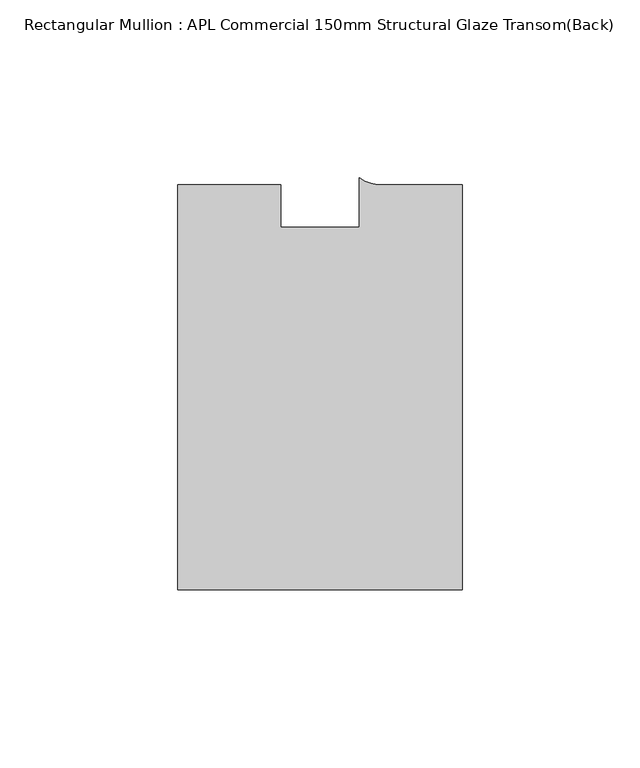
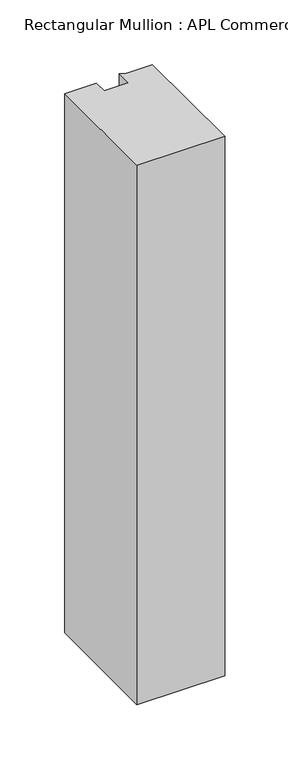
"""IFC4 building model written with IfcOpenShell, lengths in millimetres: member geometry, Rectangular Mullion : APL Commercial 150mm Structural Glaze Transom(Back)."""

import ifcopenshell
import ifcopenshell.guid

model = None  # the IFC model being written
_history = None  # IfcOwnerHistory: only IFC2X3 demands one
_inside = {}  # id of a spatial element -> (the spatial element, [elements in it])
_under = {}  # id of a project, library or spatial element -> (it, [spatial elements below it])
_declared = {}  # id of a project -> (the project, [libraries it declares])
_typed = {}  # id of a type object -> (the type object, [elements of that type])
_made_of = {}  # id of a material, layer set ... -> (it, [elements and type objects made of it])


def new_model(schema):
    """Start an empty IFC model of exactly this schema.

    Asked for "IFC4X3", IfcOpenShell would pick the latest addendum, in which some entities
    have other attributes; the version numbers below select the first issue.
    IFC2X3 requires an IfcOwnerHistory on every rooted entity: one is made here for all.
    """
    global model, _history
    if schema == "IFC4X3":
        model = ifcopenshell.file(schema_version=(4, 3, 0, 0))
    else:
        model = ifcopenshell.file(schema=schema)
    _inside.clear()
    _under.clear()
    _declared.clear()
    _typed.clear()
    _made_of.clear()
    _history = None
    if model.schema == "IFC2X3":
        org = make("IfcOrganization", Name="unknown")
        user = make(
            "IfcPersonAndOrganization",
            ThePerson=make("IfcPerson", FamilyName="unknown"),
            TheOrganization=org,
        )
        app = make(
            "IfcApplication",
            ApplicationDeveloper=org,
            Version="unknown",
            ApplicationFullName="unknown",
            ApplicationIdentifier="unknown",
        )
        _history = make(
            "IfcOwnerHistory",
            OwningUser=user,
            OwningApplication=app,
            ChangeAction="ADDED",
            CreationDate=0,
        )
    return model


def make(cls, **values):
    """One entity of the class cls with the attributes given. An attribute that is None is left unset."""
    return model.create_entity(
        cls, **{name: value for name, value in values.items() if value is not None}
    )


def rooted(cls, **values):
    """An entity with a GlobalId (a new one), such as an element, a storey or a relation."""
    return make(cls, GlobalId=ifcopenshell.guid.new(), OwnerHistory=_history, **values)


def si_unit(unit_type, name, prefix=None):
    """IfcSIUnit, for example si_unit("LENGTHUNIT", "METRE", prefix="MILLI")."""
    return make("IfcSIUnit", UnitType=unit_type, Prefix=prefix, Name=name)


def assignment(units):
    """IfcUnitAssignment: the units of a project."""
    return None if units is None else make("IfcUnitAssignment", Units=units)


def point(xyz):
    """IfcCartesianPoint."""
    return None if xyz is None else make("IfcCartesianPoint", Coordinates=xyz)


def direction(xyz):
    """IfcDirection."""
    return None if xyz is None else make("IfcDirection", DirectionRatios=xyz)


def frame(location, z_axis=None, x_axis=None):
    """IfcAxis2Placement3D, a coordinate frame: its origin and axes. An axis left out is left unset."""
    return make(
        "IfcAxis2Placement3D",
        Location=point(location),
        Axis=direction(z_axis),
        RefDirection=direction(x_axis),
    )


def frame_2d(location, x_axis=None):
    """IfcAxis2Placement2D, a coordinate frame in the plane: its origin and x axis."""
    return make(
        "IfcAxis2Placement2D", Location=point(location), RefDirection=direction(x_axis)
    )


def origin():
    """The frame at (0, 0, 0) with its axes left unset."""
    return frame((0.0, 0.0, 0.0))


def place(relative_to, where):
    """IfcLocalPlacement: puts the frame where relative to a parent placement (None: the world)."""
    return make(
        "IfcLocalPlacement", PlacementRelTo=relative_to, RelativePlacement=where
    )


def context(
    kind, dimensions, precision=None, world=None, true_north=None, identifier=None
):
    """IfcGeometricRepresentationContext, for example the 3D "Model" context."""
    return make(
        "IfcGeometricRepresentationContext",
        ContextIdentifier=identifier,
        ContextType=kind,
        CoordinateSpaceDimension=dimensions,
        Precision=precision,
        WorldCoordinateSystem=world,
        TrueNorth=true_north,
    )


def project(units=None, contexts=None):
    """IfcProject with its units and contexts."""
    return rooted(
        "IfcProject",
        Name="project",
        RepresentationContexts=contexts,
        UnitsInContext=assignment(units),
    )


def spatial(cls, under=None, at=None, **own):
    """A site, building, storey or space (cls), placed at a placement, below another one or the project."""
    s = rooted(cls, ObjectPlacement=at, **own)
    if under is not None:
        _under.setdefault(under.id(), (under, []))[1].append(s)
    return s


def polyline(points):
    """IfcPolyline through the points."""
    return make("IfcPolyline", Points=[point(p) for p in points])


def circle_curve(where, radius):
    """IfcCircle in the frame where."""
    return make("IfcCircle", Position=where, Radius=radius)


def trimmed(basis, trim1, trim2, sense, master):
    """IfcTrimmedCurve: the piece of a basis curve between two trims."""
    return make(
        "IfcTrimmedCurve",
        BasisCurve=basis,
        Trim1=trim1,
        Trim2=trim2,
        SenseAgreement=sense,
        MasterRepresentation=master,
    )


def segment(curve, same_sense, transition):
    """IfcCompositeCurveSegment."""
    return make(
        "IfcCompositeCurveSegment",
        Transition=transition,
        SameSense=same_sense,
        ParentCurve=curve,
    )


def composite_curve(segments, self_intersect=None):
    """IfcCompositeCurve: segments joined end to end."""
    return make("IfcCompositeCurve", Segments=segments, SelfIntersect=self_intersect)


def outline(outer, holes=None, kind="AREA"):
    """IfcArbitraryClosedProfileDef: a profile drawn as a closed curve; with holes, ...WithVoids."""
    if holes is None:
        return make("IfcArbitraryClosedProfileDef", ProfileType=kind, OuterCurve=outer)
    return make(
        "IfcArbitraryProfileDefWithVoids",
        ProfileType=kind,
        OuterCurve=outer,
        InnerCurves=holes,
    )


def extrude(swept, where, along, depth):
    """IfcExtrudedAreaSolid: the profile swept, set in the frame where, extruded along a direction by depth."""
    return make(
        "IfcExtrudedAreaSolid",
        SweptArea=swept,
        Position=where,
        ExtrudedDirection=direction(along),
        Depth=depth,
    )


def shape(context_of_items, identifier, shape_type, items):
    """IfcShapeRepresentation: the items that make up one representation, for example the "Body"."""
    return make(
        "IfcShapeRepresentation",
        ContextOfItems=context_of_items,
        RepresentationIdentifier=identifier,
        RepresentationType=shape_type,
        Items=items,
    )


def source(mapping_origin, context_of_items, identifier, shape_type, items):
    """IfcRepresentationMap: a shape defined once, which mapped items show again and again."""
    return make(
        "IfcRepresentationMap",
        MappingOrigin=mapping_origin,
        MappedRepresentation=shape(context_of_items, identifier, shape_type, items),
    )


def transform(
    local_origin,
    x_axis=None,
    y_axis=None,
    z_axis=None,
    scale=None,
    scale2=None,
    scale3=None,
    uniform=True,
):
    """IfcCartesianTransformationOperator3D, or its non-uniform kind. x_axis, y_axis, z_axis: its Axis1, 2, 3."""
    if uniform:
        return make(
            "IfcCartesianTransformationOperator3D",
            Axis1=direction(x_axis),
            Axis2=direction(y_axis),
            LocalOrigin=point(local_origin),
            Scale=scale,
            Axis3=direction(z_axis),
        )
    return make(
        "IfcCartesianTransformationOperator3DnonUniform",
        Axis1=direction(x_axis),
        Axis2=direction(y_axis),
        LocalOrigin=point(local_origin),
        Scale=scale,
        Axis3=direction(z_axis),
        Scale2=scale2,
        Scale3=scale3,
    )


def mapped(mapping_source, mapping_target):
    """IfcMappedItem: shows the shape of a source again, moved by a transform."""
    return make(
        "IfcMappedItem", MappingSource=mapping_source, MappingTarget=mapping_target
    )


def made_of(thing, what):
    """Note that an element or type object is made of a material, layer set ...; save() writes the relation."""
    if what is not None:
        _made_of.setdefault(what.id(), (what, []))[1].append(thing)
    return thing


def element(
    cls,
    number,
    at=None,
    inside=None,
    cuts=None,
    type_object=None,
    material=None,
    context=None,
    identifier="Body",
    shape_type=None,
    held_by="IfcProductDefinitionShape",
    body=None,
    shapes=None,
    **own,
):
    """One element of the class cls, such as IfcWall. Its Tag is "e" and its number.

    at: its placement. inside: the storey or other place that contains it. cuts: it is an
    opening in that element (IfcRelVoidsElement). A single representation is given by context,
    identifier, shape_type and body (its items); several are given by shapes. held_by: the class
    of the entity that holds the representations. save() writes the other relations.
    """
    e = rooted(cls, Tag="e%d" % number, ObjectPlacement=at, **own)
    if body is not None:
        shapes = [shape(context, identifier, shape_type, body)]
    if shapes is not None:
        e.Representation = make(held_by, Representations=shapes)
    if inside is not None:
        _inside.setdefault(inside.id(), (inside, []))[1].append(e)
    if cuts is not None:
        rooted(
            "IfcRelVoidsElement", RelatingBuildingElement=cuts, RelatedOpeningElement=e
        )
    if type_object is not None:
        _typed.setdefault(type_object.id(), (type_object, []))[1].append(e)
    return made_of(e, material)


def aggregate(whole, parts):
    """IfcRelAggregates: a whole, such as a stair, and the parts it consists of."""
    return rooted("IfcRelAggregates", RelatingObject=whole, RelatedObjects=parts)


def save(model, path):
    """Write the relations noted so far, then the file.

    IfcRelAggregates (storeys below a building ...), IfcRelContainedInSpatialStructure (elements
    in a storey), IfcRelDefinesByType, IfcRelAssociatesMaterial and IfcRelDeclares: one each for
    every whole, place, type object, material and project.
    """
    for whole, parts in _under.values():
        aggregate(whole, parts)
    for where, things in _inside.values():
        rooted(
            "IfcRelContainedInSpatialStructure",
            RelatedElements=things,
            RelatingStructure=where,
        )
    for kind, things in _typed.values():
        rooted("IfcRelDefinesByType", RelatedObjects=things, RelatingType=kind)
    for what, things in _made_of.values():
        rooted("IfcRelAssociatesMaterial", RelatedObjects=things, RelatingMaterial=what)
    for by, libraries in _declared.values():
        rooted("IfcRelDeclares", RelatingContext=by, RelatedDefinitions=libraries)
    model.write(path)


def rectangular_mullion_apl_commercial_150mm_structural_glaze_1b6e8d4f(model_context):
    return source(origin(), model_context, "Body", "SweptSolid", [
        extrude(outline(composite_curve([segment(polyline([(40.0, -128.9999975), (-40.0, -128.9999975), (-40.0, -15.0000829), (-11.0000151, -15.0000829), (-11.0000151, -27.0), (11.0000151, -27.0), (11.0000151, -13.0673455)]), True, "CONTINUOUS"), segment(trimmed(circle_curve(frame_2d((17.1097719, -4.581653)), 10.4563907), [point((11.0000151, -13.0673455))], [point((17.9999542, -15.0000829))], True, "CARTESIAN"), True, "CONTINUOUS"), segment(polyline([(17.9999542, -15.0000829), (40.0, -15.0000829), (40.0, -128.9999975)]), True, "CONTINUOUS")], self_intersect=False)), frame((0.0, 0.0, -519.5135745), z_axis=(0.0, 0.0, 1.0), x_axis=(1.0, 0.0, 0.0)), (0.0, 0.0, 1.0), 519.5135745),
    ])


if __name__ == "__main__":
    model = new_model("IFC4")
    model_context = context("Model", 3, world=origin())
    ifc_project = project(units=[si_unit("LENGTHUNIT", "METRE", prefix="MILLI")], contexts=[model_context])
    site = spatial("IfcSite", under=ifc_project)
    building = spatial("IfcBuilding", under=site)
    placement = place(None, origin())
    rectangular_mullion_apl_commercial_150mm_structural_glaze_shape = rectangular_mullion_apl_commercial_150mm_structural_glaze_1b6e8d4f(model_context)
    element("IfcMember", 1, ObjectType="Rectangular Mullion : APL Commercial 150mm Structural Glaze Transom(Back)", at=placement, inside=building, context=model_context, shape_type="MappedRepresentation", body=[
        mapped(rectangular_mullion_apl_commercial_150mm_structural_glaze_shape, transform((0.0, 0.0, 0.0), x_axis=(1.0, 0.0, 0.0), y_axis=(0.0, 1.0, 0.0), z_axis=(0.0, 0.0, 1.0))),
    ])
    save(model, "model.ifc")
